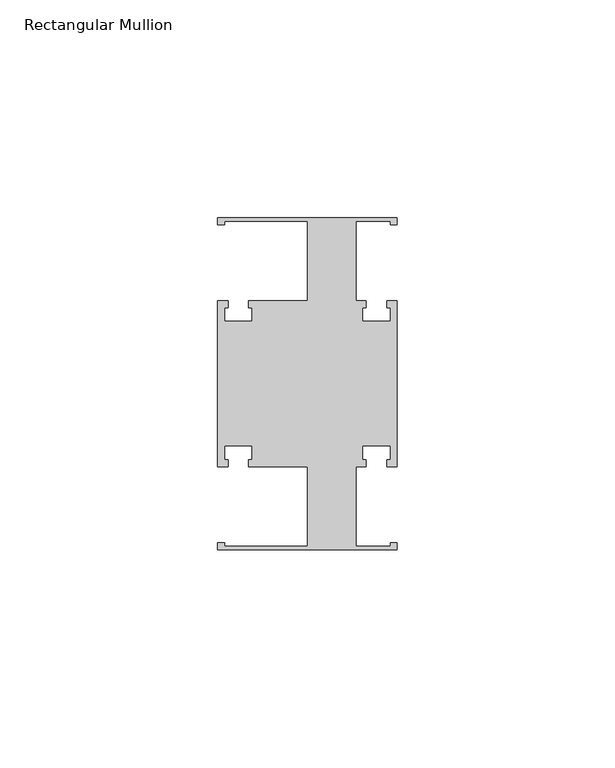
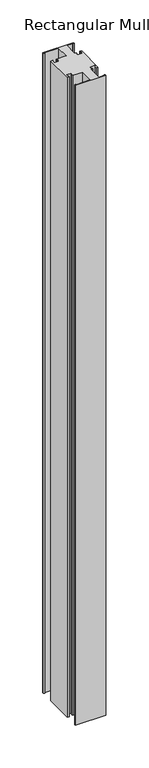
"""IFC4 building model written with IfcOpenShell, lengths in millimetres: member geometry, Rectangular Mullion."""

from ifc_helpers import new_model, si_unit, frame, origin, place, context, project, spatial, polyline, outline, extrude, source, transform, mapped, element, save


def rectangular_mullion_79e07a25(model_context):
    return source(origin(), model_context, "Body", "SweptSolid", [
        extrude(outline(polyline([(20.6375, -38.1), (-20.6375, -38.1), (-20.6375, -36.5125), (-19.05, -36.5125), (-19.05, -37.30625), (0.0, -37.30625), (0.0, -19.05), (-13.49375, -19.05), (-13.49375, -17.4625), (-12.7, -17.4625), (-12.7, -14.2875), (-19.05, -14.2875), (-19.05, -17.4625), (-18.25625, -17.4625), (-18.25625, -19.05), (-20.6375, -19.05), (-20.6375, 19.05), (-18.25625, 19.05), (-18.25625, 17.4625), (-19.05, 17.4625), (-19.05, 14.2875), (-12.7, 14.2875), (-12.7, 17.4625), (-13.49375, 17.4625), (-13.49375, 19.05), (0.0, 19.05), (0.0, 37.30625), (-19.05, 37.30625), (-19.05, 36.5125), (-20.6375, 36.5125), (-20.6375, 38.1), (20.6375, 38.1), (20.6375, 36.5125), (19.05, 36.5125), (19.05, 37.30625), (11.1125, 37.30625), (11.1125, 19.05), (13.49375, 19.05), (13.49375, 17.4625), (12.7, 17.4625), (12.7, 14.2875), (19.05, 14.2875), (19.05, 17.4625), (18.25625, 17.4625), (18.25625, 19.05), (20.6375, 19.05), (20.6375, -19.05), (18.25625, -19.05), (18.25625, -17.4625), (19.05, -17.4625), (19.05, -14.2875), (12.7, -14.2875), (12.7, -17.4625), (13.49375, -17.4625), (13.49375, -19.05), (11.1125, -19.05), (11.1125, -37.30625), (19.05, -37.30625), (19.05, -36.5125), (20.6375, -36.5125), (20.6375, -38.1)])), frame((0.0, 0.0, -912.8125), z_axis=(0.0, 0.0, 1.0), x_axis=(1.0, 0.0, 0.0)), (0.0, 0.0, 1.0), 912.8125),
    ])


if __name__ == "__main__":
    model = new_model("IFC4")
    model_context = context("Model", 3, world=origin())
    ifc_project = project(units=[si_unit("LENGTHUNIT", "METRE", prefix="MILLI")], contexts=[model_context])
    site = spatial("IfcSite", under=ifc_project)
    building = spatial("IfcBuilding", under=site)
    placement = place(None, origin())
    rectangular_mullion_shape = rectangular_mullion_79e07a25(model_context)
    element("IfcMember", 1, ObjectType="Rectangular Mullion", at=placement, inside=building, context=model_context, shape_type="MappedRepresentation", body=[
        mapped(rectangular_mullion_shape, transform((0.0, 0.0, 0.0), x_axis=(1.0, 0.0, 0.0), y_axis=(0.0, 1.0, 0.0), z_axis=(0.0, 0.0, 1.0))),
    ])
    save(model, "model.ifc")
